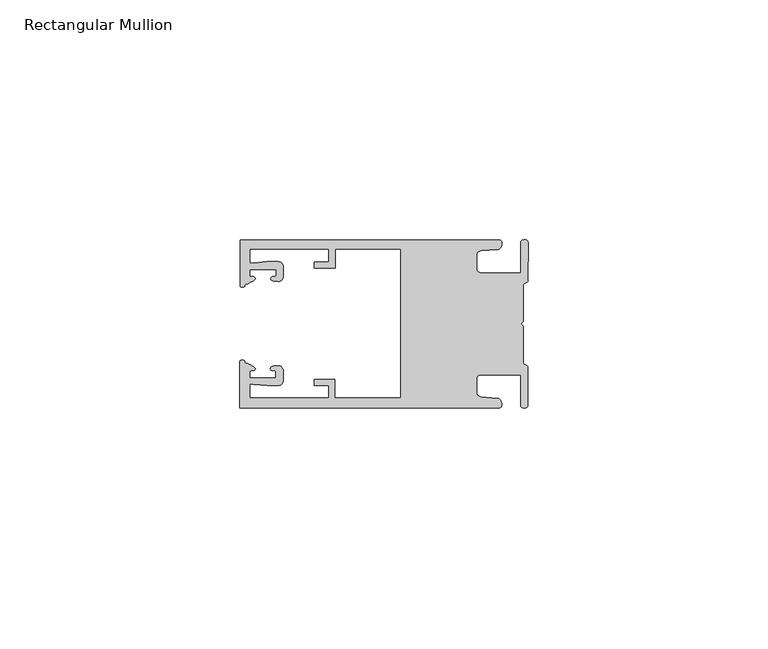
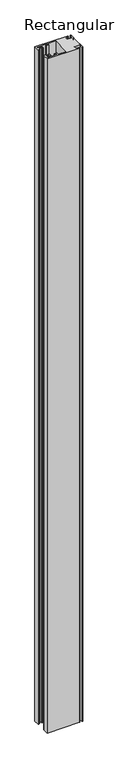
"""IFC4 building model written with IfcOpenShell, lengths in millimetres: member geometry, Rectangular Mullion."""

from ifc_helpers import new_model, si_unit, frame, origin, place, context, project, spatial, circle_curve, source, transform, mapped, element, save
from ifc_brep_helpers import plane_surface, cylinder_surface, extruded_surface, spline_curve, advanced_brep


def rectangular_mullion_3c00050a(model_context):
    return source(origin(), model_context, "Body", "AdvancedBrep", [
        advanced_brep(
        [(-60.0749377, 17.5111528, 0.0), (-60.0749377, 8.0140787, 0.0), (-59.3252567, 7.7187455, 0.0), (-58.4967974, 8.36785, 0.0), (-58.0726619, 10.1173923, 0.0), (-58.0713101, 11.3673916, 0.0), (-52.5713133, 11.3614437, 0.0), (-52.5726651, 10.1114444, 0.0), (-53.1427626, 8.8955539, 0.0), (-52.0740172, 8.8609044, 0.0), (-51.0729364, 9.8598224, 0.0), (-51.0706653, 11.9598211, 0.0), (-52.0700692, 12.9609024, 0.0), (-54.3905105, 12.9622843, 0.0), (-57.1599646, 12.7230061, 0.0), (-58.0696339, 12.9173907, 0.0), (-58.066768, 15.5673891, 0.0), (-41.5667584, 15.5673891, 0.0), (-41.5695894, 12.9495468, 0.0), (-44.5695877, 12.9527912, 0.0), (-44.5709936, 11.6527919, 0.0), (-40.2709961, 11.6481417, 0.0), (-40.2667576, 15.5673891, 0.0), (-26.6002952, 15.5673891, 0.0), (-26.6002952, -15.4518424, 0.0), (-40.3003032, -15.4518424, 0.0), (-40.2960856, -11.5518447, 0.0), (-44.5960831, -11.5471945, 0.0), (-44.597489, -12.8471938, 0.0), (-41.5974907, -12.8504381, 0.0), (-41.6003025, -15.4504366, 0.0), (-58.1002928, -15.4325927, 0.0), (-58.097427, -12.7825943, 0.0), (-57.1873395, -12.5901776, 0.0), (-54.4184094, -12.8354453, 0.0), (-52.0979705, -12.8390822, 0.0), (-51.0964037, -11.8401649, 0.0), (-51.0941327, -9.7401662, 0.0), (-52.0930507, -8.7390853, 0.0), (-53.1618685, -8.7714231, 0.0), (-52.5944022, -9.9885439, 0.0), (-52.595754, -11.2385431, 0.0), (-58.0957508, -11.2325952, 0.0), (-58.094399, -9.9825959, 0.0), (-58.5147494, -8.2321403, 0.0), (-59.3418028, -7.5812455, 0.0), (-60.0921208, -7.8749565, 0.0), (-60.0921208, -17.4888267, 0.0), (-6.1024861, -17.4888267, 0.0), (-6.5218639, -15.488372, 0.0), (-9.8784944, -15.2205466, 0.0), (-10.7989567, -14.2226333, 0.0), (-10.7961029, -11.5837474, 0.0), (-9.8734844, -10.5878272, 0.0), (-1.5950266, -10.5934991, 0.0), (-1.601948, -16.9936935, 0.0), (-0.1017194, -16.7830581, 0.0), (-0.0933208, -9.0170082, 0.0), (-1.0923837, -8.1499018, 0.0), (-1.0842165, -0.5977972, 0.0), (-1.0829111, 0.6093089, 0.0), (-1.0747439, 8.1614135, 0.0), (-0.0738079, 9.026357, 0.0), (-0.0654093, 16.7924069, 0.0), (-1.5651789, 17.0062866, 0.0), (-1.5651789, 10.6183257, 0.0), (-9.8505511, 10.6183257, 0.0), (-10.7710133, 11.6162391, 0.0), (-10.7681595, 14.255125, 0.0), (-9.845541, 15.2510452, 0.0), (-6.4883391, 15.5116099, 0.0), (-6.0646356, 17.5111528, 0.0), (-60.0749377, 17.5111528, -1189.4999997), (-6.0646356, 17.5111528, -1189.4999997), (-6.4883391, 15.5116099, -1189.4999997), (-9.845541, 15.2510452, -1189.4999997), (-10.7681595, 14.255125, -1189.4999997), (-10.7710133, 11.6162391, -1189.4999997), (-9.8505511, 10.6183257, -1189.4999997), (-1.5651789, 10.6183257, -1189.4999997), (-1.5651789, 17.0062866, -1189.4999997), (-0.0654093, 16.7924069, -1189.4999997), (-0.0738079, 9.026357, -1189.4999997), (-1.0747439, 8.1614135, -1189.4999997), (-1.0829111, 0.6093089, -1189.4999997), (-1.0842165, -0.5977972, -1189.4999997), (-1.0923837, -8.1499018, -1189.4999997), (-0.0933208, -9.0170082, -1189.4999997), (-0.1017194, -16.7830581, -1189.4999997), (-1.601948, -16.9936935, -1189.4999997), (-1.5950266, -10.5934991, -1189.4999997), (-9.8734844, -10.5878272, -1189.4999997), (-10.7961029, -11.5837474, -1189.4999997), (-10.7989567, -14.2226333, -1189.4999997), (-9.8784944, -15.2205466, -1189.4999997), (-6.5218639, -15.488372, -1189.4999997), (-6.1024861, -17.4888267, -1189.4999997), (-60.0921208, -17.4888267, -1189.4999997), (-60.0921208, -7.8749565, -1189.4999997), (-59.3418028, -7.5812455, -1189.4999997), (-58.5147494, -8.2321403, -1189.4999997), (-58.094399, -9.9825959, -1189.4999997), (-58.0957508, -11.2325952, -1189.4999997), (-52.595754, -11.2385431, -1189.4999997), (-52.5944022, -9.9885439, -1189.4999997), (-53.1618685, -8.7714231, -1189.4999997), (-52.0930507, -8.7390853, -1189.4999997), (-51.0941327, -9.7401662, -1189.4999997), (-51.0964037, -11.8401649, -1189.4999997), (-52.0979705, -12.8390823, -1189.4999997), (-54.4184094, -12.8354453, -1189.4999997), (-57.1873395, -12.5901776, -1189.4999997), (-58.097427, -12.7825943, -1189.4999997), (-58.1002928, -15.4325927, -1189.4999997), (-41.6003025, -15.4504366, -1189.4999997), (-41.5974907, -12.8504381, -1189.4999997), (-44.597489, -12.8471938, -1189.4999997), (-44.5960831, -11.5471945, -1189.4999997), (-40.2960856, -11.5518447, -1189.4999997), (-40.3003032, -15.4518424, -1189.4999997), (-26.6002952, -15.4518424, -1189.4999997), (-26.6002952, 15.5673891, -1189.4999997), (-40.2667576, 15.5673891, -1189.4999997), (-40.2709961, 11.6481417, -1189.4999997), (-44.5709936, 11.6527919, -1189.4999997), (-44.5695877, 12.9527912, -1189.4999997), (-41.5695894, 12.9495468, -1189.4999997), (-41.5667584, 15.5673891, -1189.4999997), (-58.066768, 15.5673891, -1189.4999997), (-58.0696339, 12.9173907, -1189.4999997), (-57.1599646, 12.7230061, -1189.4999997), (-54.3905105, 12.9622843, -1189.4999997), (-52.0700692, 12.9609023, -1189.4999997), (-51.0706653, 11.9598211, -1189.4999997), (-51.0729364, 9.8598224, -1189.4999997), (-52.0740172, 8.8609044, -1189.4999997), (-53.1427626, 8.8955539, -1189.4999997), (-52.5726651, 10.1114444, -1189.4999997), (-52.5713133, 11.3614437, -1189.4999997), (-58.0713101, 11.3673916, -1189.4999997), (-58.0726619, 10.1173923, -1189.4999997), (-58.4967974, 8.36785, -1189.4999997), (-59.3252567, 7.7187455, -1189.4999997), (-60.0749377, 8.0140787, -1189.4999997)],
        [
            (0, 1),
            (1, 2, spline_curve(3, [(-60.0749377, 8.0140787, 0.0), (-60.075233123, 7.740904774, 0.0), (-59.825339491, 7.642460332, 0.0), (-59.3252567, 7.7187455, 0.0)], [4, 4], [0.0, 0.0019169337574178654])),
            (2, 3, spline_curve(3, [(-59.3252567, 7.7187455, 0.0), (-59.094460914, 7.75918372, 0.0), (-59.054835463, 7.902257199, 0.0), (-59.05559987, 8.233305614, 0.0), (-59.138729113, 8.4134359, 0.0), (-58.4967974, 8.36785, 0.0)], [4, 2, 4], [0.0, 0.0010199524164107188, 0.0024874514725970356])),
            (3, 4, spline_curve(3, [(-58.4967974, 8.36785, 0.0), (-57.022393378, 9.053435667, 0.0), (-56.827266887, 9.364828726, 0.0), (-56.982213078, 9.742623404, 0.0), (-57.177375211, 9.855581791, 0.0), (-57.697928101, 9.887955071, 0.0), (-57.997449153, 9.835475348, 0.0), (-58.0726619, 10.1173923, 0.0)], [4, 2, 2, 4], [0.0, 0.003269869179570428, 0.005490050486237203, 0.0073545767114364426])),
            (4, 5),
            (5, 6),
            (6, 7),
            (7, 8, spline_curve(3, [(-52.5726651, 10.1114444, 0.0), (-52.667195519, 9.760172042, 0.0), (-52.937094388, 9.861877724, 0.0), (-53.356237032, 9.895631753, 0.0), (-53.491940439, 9.811038713, 0.0), (-53.761900775, 9.511438033, 0.0), (-53.892893546, 9.278787104, 0.0), (-53.1427626, 8.8955539, 0.0)], [4, 2, 2, 4], [0.0, 0.001593963049934732, 0.0033360256320283306, 0.005339140673503943])),
            (8, 9),
            (9, 10, circle_curve(frame((-52.0729358, 9.8609038, 0.0), z_axis=(0.0, 0.0, 1.0), x_axis=(-0.0010814451158600304, -0.9999994152380598, 0.0)), 1.0)),
            (10, 11),
            (11, 12, circle_curve(frame((-52.0706647, 11.9609026, 0.0), z_axis=(0.0, 0.0, 1.0), x_axis=(-0.0010814451158600304, -0.9999994152380598, 0.0)), 1.0)),
            (12, 13),
            (13, 14),
            (14, 15, spline_curve(3, [(-57.1599646, 12.7230061, 0.0), (-57.631533854, 12.682262968, 0.0), (-58.018602985, 12.477800124, 0.0), (-58.0696339, 12.9173907, 0.0)], [4, 4], [0.0, 0.0014803385355886016])),
            (15, 16),
            (16, 17),
            (17, 18),
            (18, 19),
            (19, 20),
            (20, 21),
            (21, 22),
            (22, 23),
            (23, 24),
            (24, 25),
            (25, 26),
            (26, 27),
            (27, 28),
            (28, 29),
            (29, 30),
            (30, 31),
            (31, 32),
            (32, 33, spline_curve(3, [(-58.097427, -12.7825943, 0.0), (-58.045445419, -12.343115126, 0.0), (-57.658819528, -12.548414611, 0.0), (-57.1873395, -12.5901776, 0.0)], [4, 4], [0.0, 0.0014803385355886016])),
            (33, 34),
            (34, 35),
            (35, 36, circle_curve(frame((-52.0964031, -11.8390835, 0.0), z_axis=(0.0, 0.0, 1.0), x_axis=(0.0010814451158600304, 0.9999994152380598, 0.0)), 1.0)),
            (36, 37),
            (37, 38, circle_curve(frame((-52.0941321, -9.7390847, 0.0), z_axis=(0.0, 0.0, 1.0), x_axis=(0.0010814451158600304, 0.9999994152380598, 0.0)), 1.0)),
            (38, 39),
            (39, 40, spline_curve(3, [(-53.1618685, -8.7714231, 0.0), (-53.912826582, -9.153032958, 0.0), (-53.782337352, -9.385966711, 0.0), (-53.51302565, -9.686150585, 0.0), (-53.377505444, -9.771037009, 0.0), (-52.958290774, -9.738189618, 0.0), (-52.688172635, -9.637067904, 0.0), (-52.5944022, -9.9885439, 0.0)], [4, 2, 2, 4], [0.0, 0.002003115041475612, 0.0037451776235692107, 0.005339140673503943])),
            (40, 41),
            (41, 42),
            (42, 43),
            (43, 44, spline_curve(3, [(-58.094399, -9.9825959, 0.0), (-58.018576674, -9.700842284, 0.0), (-57.719169706, -9.753969703, 0.0), (-57.198548014, -9.722722397, 0.0), (-57.003142178, -9.61018632, 0.0), (-56.847379222, -9.232727657, 0.0), (-57.041831673, -8.920913336, 0.0), (-58.5147494, -8.2321403, 0.0)], [4, 2, 2, 4], [0.0, 0.0018645262251992395, 0.004084707531866015, 0.0073545767114364426])),
            (44, 45, spline_curve(3, [(-58.5147494, -8.2321403, 0.0), (-59.156778208, -8.276337666, 0.0), (-59.073259494, -8.096387681, 0.0), (-59.071779067, -7.765341694, 0.0), (-59.111095017, -7.622182811, 0.0), (-59.3418028, -7.5812455, 0.0)], [4, 2, 4], [0.0, 0.0014674990561863168, 0.0024874514725970356])),
            (45, 46, spline_curve(3, [(-59.3418028, -7.5812455, 0.0), (-59.841719425, -7.503878887, 0.0), (-60.091825377, -7.601782574, 0.0), (-60.0921208, -7.8749565, 0.0)], [4, 4], [0.0, 0.0019169337574178654])),
            (46, 47),
            (47, 48),
            (48, 49, spline_curve(3, [(-6.1024861, -17.4888267, 0.0), (-5.074532184, -17.418062188, 0.0), (-5.631140689, -15.411414367, 0.0), (-6.5218639, -15.488372, 0.0)], [4, 4], [0.0, 0.0043819361547461745])),
            (49, 50),
            (50, 51, spline_curve(3, [(-9.8784944, -15.2205466, 0.0), (-10.440691543, -15.150698463, 0.0), (-10.74751234, -14.818060727, 0.0), (-10.7989567, -14.2226333, 0.0)], [4, 4], [0.0, 0.0028645797420738927])),
            (51, 52),
            (52, 53, spline_curve(3, [(-10.7961029, -11.5837474, 0.0), (-10.743370817, -10.988432634, 0.0), (-10.435831301, -10.656459204, 0.0), (-9.8734844, -10.5878272, 0.0)], [4, 4], [0.0, 0.0028645797420738927])),
            (53, 54),
            (54, 55),
            (55, 56, spline_curve(3, [(-1.601948, -16.9936935, 0.0), (-1.655676874, -17.600261454, 0.0), (-0.043737403, -17.912795581, 0.0), (-0.1017194, -16.7830581, 0.0)], [4, 4], [0.0, 0.0036987374396357936])),
            (56, 57),
            (57, 58, spline_curve(3, [(-0.0933208, -9.0170082, 0.0), (-0.018818183, -8.695886697, 0.0), (-1.193434327, -8.459763043, 0.0), (-1.0923837, -8.1499018, 0.0)], [4, 4], [0.0, 0.002027216749630121])),
            (58, 59),
            (59, 60, spline_curve(3, [(-1.0842165, -0.5977972, 0.0), (-1.013223198, -0.445980437, 0.0), (-1.487945123, -0.206736825, 0.0), (-1.487409651, 0.231097965, 0.0), (-0.999110985, 0.429090391, 0.0), (-1.0829111, 0.6093089, 0.0)], [4, 2, 4], [0.0, 0.00249866671847065, 0.005031402919736269])),
            (60, 61),
            (61, 62, spline_curve(3, [(-1.0747439, 8.1614135, 0.0), (-1.175124095, 8.47149258, 0.0), (-7e-09, 8.705075107, 0.0), (-0.0738079, 9.026357, 0.0)], [4, 4], [0.0, 0.002027216749630121])),
            (62, 63),
            (63, 64, spline_curve(3, [(-0.0654093, 16.7924069, 0.0), (-0.004983942, 17.92201633, 0.0), (-1.617595709, 17.612969344, 0.0), (-1.5651789, 17.0062866, 0.0)], [4, 4], [0.0, 0.0036987374396357936])),
            (64, 65),
            (65, 66),
            (66, 67, spline_curve(3, [(-9.8505511, 10.6183257, 0.0), (-10.412748243, 10.688173837, 0.0), (-10.71956894, 11.020811673, 0.0), (-10.7710133, 11.6162391, 0.0)], [4, 4], [0.0, 0.0028645797420738927])),
            (67, 68),
            (68, 69, spline_curve(3, [(-10.7681595, 14.255125, 0.0), (-10.715427417, 14.850439766, 0.0), (-10.407887901, 15.182413196, 0.0), (-9.845541, 15.2510452, 0.0)], [4, 4], [0.0, 0.0028645797420738927])),
            (69, 70),
            (70, 71, spline_curve(3, [(-6.4883391, 15.5116099, 0.0), (-5.597784423, 15.432725911, 0.0), (-5.036837144, 17.438165103, 0.0), (-6.0646356, 17.5111528, 0.0)], [4, 4], [0.0, 0.0043819361547461745])),
            (71, 0),
            (72, 73),
            (73, 74, spline_curve(3, [(-6.0646356, 17.5111528, -1189.4999997), (-5.036837144, 17.438165103, -1189.4999997), (-5.597784423, 15.432725911, -1189.4999997), (-6.4883391, 15.5116099, -1189.4999997)], [4, 4], [0.0, 0.0043819361547461745])),
            (74, 75),
            (75, 76, spline_curve(3, [(-9.845541, 15.2510452, -1189.4999997), (-10.407887901, 15.182413196, -1189.4999997), (-10.715427417, 14.850439766, -1189.4999997), (-10.7681595, 14.255125, -1189.4999997)], [4, 4], [0.0, 0.0028645797420738927])),
            (76, 77),
            (77, 78, spline_curve(3, [(-10.7710133, 11.6162391, -1189.4999997), (-10.71956894, 11.020811673, -1189.4999997), (-10.412748243, 10.688173837, -1189.4999997), (-9.8505511, 10.6183257, -1189.4999997)], [4, 4], [0.0, 0.0028645797420738927])),
            (78, 79),
            (79, 80),
            (80, 81, spline_curve(3, [(-1.5651789, 17.0062866, -1189.4999997), (-1.617595709, 17.612969344, -1189.4999997), (-0.004983942, 17.92201633, -1189.4999997), (-0.0654093, 16.7924069, -1189.4999997)], [4, 4], [0.0, 0.0036987374396357936])),
            (81, 82),
            (82, 83, spline_curve(3, [(-0.0738079, 9.026357, -1189.4999997), (-7e-09, 8.705075107, -1189.4999997), (-1.175124095, 8.47149258, -1189.4999997), (-1.0747439, 8.1614135, -1189.4999997)], [4, 4], [0.0, 0.002027216749630121])),
            (83, 84),
            (84, 85, spline_curve(3, [(-1.0829111, 0.6093089, -1189.4999997), (-0.999110985, 0.429090391, -1189.4999997), (-1.487409651, 0.231097965, -1189.4999997), (-1.487945123, -0.206736825, -1189.4999997), (-1.013223198, -0.445980437, -1189.4999997), (-1.0842165, -0.5977972, -1189.4999997)], [4, 2, 4], [0.0, 0.002532736201265619, 0.005031402919736269])),
            (85, 86),
            (86, 87, spline_curve(3, [(-1.0923837, -8.1499018, -1189.4999997), (-1.193434327, -8.459763043, -1189.4999997), (-0.018818183, -8.695886697, -1189.4999997), (-0.0933208, -9.0170082, -1189.4999997)], [4, 4], [0.0, 0.002027216749630121])),
            (87, 88),
            (88, 89, spline_curve(3, [(-0.1017194, -16.7830581, -1189.4999997), (-0.043737403, -17.912795581, -1189.4999997), (-1.655676874, -17.600261454, -1189.4999997), (-1.601948, -16.9936935, -1189.4999997)], [4, 4], [0.0, 0.0036987374396357936])),
            (89, 90),
            (90, 91),
            (91, 92, spline_curve(3, [(-9.8734844, -10.5878272, -1189.4999997), (-10.435831301, -10.656459204, -1189.4999997), (-10.743370817, -10.988432634, -1189.4999997), (-10.7961029, -11.5837474, -1189.4999997)], [4, 4], [0.0, 0.0028645797420738927])),
            (92, 93),
            (93, 94, spline_curve(3, [(-10.7989567, -14.2226333, -1189.4999997), (-10.74751234, -14.818060727, -1189.4999997), (-10.440691543, -15.150698463, -1189.4999997), (-9.8784944, -15.2205466, -1189.4999997)], [4, 4], [0.0, 0.0028645797420738927])),
            (94, 95),
            (95, 96, spline_curve(3, [(-6.5218639, -15.488372, -1189.4999997), (-5.631140689, -15.411414367, -1189.4999997), (-5.074532184, -17.418062188, -1189.4999997), (-6.1024861, -17.4888267, -1189.4999997)], [4, 4], [0.0, 0.0043819361547461745])),
            (96, 97),
            (97, 98),
            (98, 99, spline_curve(3, [(-60.0921208, -7.8749565, -1189.4999997), (-60.091825377, -7.601782574, -1189.4999997), (-59.841719425, -7.503878887, -1189.4999997), (-59.3418028, -7.5812455, -1189.4999997)], [4, 4], [0.0, 0.0019169337574178654])),
            (99, 100, spline_curve(3, [(-59.3418028, -7.5812455, -1189.4999997), (-59.111095017, -7.622182811, -1189.4999997), (-59.071779067, -7.765341694, -1189.4999997), (-59.073259494, -8.096387681, -1189.4999997), (-59.156778208, -8.276337666, -1189.4999997), (-58.5147494, -8.2321403, -1189.4999997)], [4, 2, 4], [0.0, 0.0010199524164107188, 0.0024874514725970356])),
            (100, 101, spline_curve(3, [(-58.5147494, -8.2321403, -1189.4999997), (-57.041831673, -8.920913336, -1189.4999997), (-56.847379222, -9.232727657, -1189.4999997), (-57.003142178, -9.61018632, -1189.4999997), (-57.198548014, -9.722722397, -1189.4999997), (-57.719169706, -9.753969703, -1189.4999997), (-58.018576674, -9.700842284, -1189.4999997), (-58.094399, -9.9825959, -1189.4999997)], [4, 2, 2, 4], [0.0, 0.003269869179570428, 0.005490050486237203, 0.0073545767114364426])),
            (101, 102),
            (102, 103),
            (103, 104),
            (104, 105, spline_curve(3, [(-52.5944022, -9.9885439, -1189.4999997), (-52.688172635, -9.637067904, -1189.4999997), (-52.958290774, -9.738189618, -1189.4999997), (-53.377505444, -9.771037009, -1189.4999997), (-53.51302565, -9.686150585, -1189.4999997), (-53.782337352, -9.385966711, -1189.4999997), (-53.912826582, -9.153032958, -1189.4999997), (-53.1618685, -8.7714231, -1189.4999997)], [4, 2, 2, 4], [0.0, 0.001593963049934732, 0.0033360256320283306, 0.005339140673503943])),
            (105, 106),
            (106, 107, circle_curve(frame((-52.0941321, -9.7390847, -1189.4999997), z_axis=(0.0, 0.0, -1.0), x_axis=(0.0010814451158600304, 0.9999994152380598, 0.0)), 1.0)),
            (107, 108),
            (108, 109, circle_curve(frame((-52.0964031, -11.8390835, -1189.4999997), z_axis=(0.0, 0.0, -1.0), x_axis=(0.0010814451158600304, 0.9999994152380598, 0.0)), 1.0)),
            (109, 110),
            (110, 111),
            (111, 112, spline_curve(3, [(-57.1873395, -12.5901776, -1189.4999997), (-57.658819528, -12.548414611, -1189.4999997), (-58.045445419, -12.343115126, -1189.4999997), (-58.097427, -12.7825943, -1189.4999997)], [4, 4], [0.0, 0.0014803385355886016])),
            (112, 113),
            (113, 114),
            (114, 115),
            (115, 116),
            (116, 117),
            (117, 118),
            (118, 119),
            (119, 120),
            (120, 121),
            (121, 122),
            (122, 123),
            (123, 124),
            (124, 125),
            (125, 126),
            (126, 127),
            (127, 128),
            (128, 129),
            (129, 130, spline_curve(3, [(-58.0696339, 12.9173907, -1189.4999997), (-58.018602985, 12.477800124, -1189.4999997), (-57.631533854, 12.682262968, -1189.4999997), (-57.1599646, 12.7230061, -1189.4999997)], [4, 4], [0.0, 0.0014803385355886016])),
            (130, 131),
            (131, 132),
            (132, 133, circle_curve(frame((-52.0706647, 11.9609026, -1189.4999997), z_axis=(0.0, 0.0, -1.0), x_axis=(-0.0010814451158600304, -0.9999994152380598, 0.0)), 1.0)),
            (133, 134),
            (134, 135, circle_curve(frame((-52.0729358, 9.8609038, -1189.4999997), z_axis=(0.0, 0.0, -1.0), x_axis=(-0.0010814451158600304, -0.9999994152380598, 0.0)), 1.0)),
            (135, 136),
            (136, 137, spline_curve(3, [(-53.1427626, 8.8955539, -1189.4999997), (-53.892893546, 9.278787104, -1189.4999997), (-53.761900775, 9.511438033, -1189.4999997), (-53.491940439, 9.811038713, -1189.4999997), (-53.356237032, 9.895631753, -1189.4999997), (-52.937094388, 9.861877724, -1189.4999997), (-52.667195519, 9.760172042, -1189.4999997), (-52.5726651, 10.1114444, -1189.4999997)], [4, 2, 2, 4], [0.0, 0.002003115041475612, 0.0037451776235692107, 0.005339140673503943])),
            (137, 138),
            (138, 139),
            (139, 140),
            (140, 141, spline_curve(3, [(-58.0726619, 10.1173923, -1189.4999997), (-57.997449153, 9.835475348, -1189.4999997), (-57.697928101, 9.887955071, -1189.4999997), (-57.177375211, 9.855581791, -1189.4999997), (-56.982213078, 9.742623404, -1189.4999997), (-56.827266887, 9.364828726, -1189.4999997), (-57.022393378, 9.053435667, -1189.4999997), (-58.4967974, 8.36785, -1189.4999997)], [4, 2, 2, 4], [0.0, 0.0018645262251992395, 0.004084707531866015, 0.0073545767114364426])),
            (141, 142, spline_curve(3, [(-58.4967974, 8.36785, -1189.4999997), (-59.138729113, 8.4134359, -1189.4999997), (-59.05559987, 8.233305614, -1189.4999997), (-59.054835463, 7.902257199, -1189.4999997), (-59.094460914, 7.75918372, -1189.4999997), (-59.3252567, 7.7187455, -1189.4999997)], [4, 2, 4], [0.0, 0.0014674990561863168, 0.0024874514725970356])),
            (142, 143, spline_curve(3, [(-59.3252567, 7.7187455, -1189.4999997), (-59.825339491, 7.642460332, -1189.4999997), (-60.075233123, 7.740904774, -1189.4999997), (-60.0749377, 8.0140787, -1189.4999997)], [4, 4], [0.0, 0.0019169337574178654])),
            (143, 72),
            (0, 72),
            (143, 1),
            (142, 2),
            (141, 3),
            (140, 4),
            (139, 5),
            (138, 6),
            (137, 7),
            (136, 8),
            (135, 9),
            (134, 10),
            (133, 11),
            (132, 12),
            (131, 13),
            (130, 14),
            (129, 15),
            (128, 16),
            (127, 17),
            (126, 18),
            (125, 19),
            (124, 20),
            (123, 21),
            (122, 22),
            (121, 23),
            (120, 24),
            (119, 25),
            (118, 26),
            (117, 27),
            (116, 28),
            (115, 29),
            (114, 30),
            (113, 31),
            (112, 32),
            (111, 33),
            (110, 34),
            (109, 35),
            (108, 36),
            (107, 37),
            (106, 38),
            (105, 39),
            (104, 40),
            (103, 41),
            (102, 42),
            (101, 43),
            (100, 44),
            (99, 45),
            (98, 46),
            (97, 47),
            (96, 48),
            (95, 49),
            (94, 50),
            (93, 51),
            (92, 52),
            (91, 53),
            (90, 54),
            (89, 55),
            (88, 56),
            (87, 57),
            (86, 58),
            (85, 59),
            (84, 60),
            (83, 61),
            (82, 62),
            (81, 63),
            (80, 64),
            (79, 65),
            (78, 66),
            (77, 67),
            (76, 68),
            (75, 69),
            (74, 70),
            (73, 71),
        ],
        [
            plane_surface(frame((0.0, -62.5853181, 0.0), z_axis=(0.0, 0.0, 1.0), x_axis=(-1.0, 0.0, 0.0))),
            plane_surface(frame((0.0, -62.5853181, -1189.4999997), z_axis=(0.0, 0.0, -1.0), x_axis=(-1.0, 0.0, 0.0))),
            plane_surface(frame((-60.0749377, 17.5111528, 0.0), z_axis=(-1.0, 0.0, 0.0), x_axis=(0.0, 0.0, -1.0))),
            extruded_surface(spline_curve(3, [(-60.0749377, 8.0140787, -1189.4999997), (-60.075233123, 7.740904774, -1189.4999997), (-59.825339491, 7.642460332, -1189.4999997), (-59.3252567, 7.7187455, -1189.4999997)], [4, 4], [0.0, 0.0019169337574178654]), (0.0, 0.0, 1189.4999997), 1189.4999997),
            extruded_surface(spline_curve(3, [(-59.3252567, 7.7187455, -1189.4999997), (-59.094460914, 7.75918372, -1189.4999997), (-59.054835463, 7.902257199, -1189.4999997), (-59.05559987, 8.233305614, -1189.4999997), (-59.138729113, 8.4134359, -1189.4999997), (-58.4967974, 8.36785, -1189.4999997)], [4, 2, 4], [0.0, 0.0010199524164107188, 0.0024874514725970356]), (0.0, 0.0, 1189.4999997), 1189.4999997),
            extruded_surface(spline_curve(3, [(-58.4967974, 8.36785, -1189.4999997), (-57.022393378, 9.053435667, -1189.4999997), (-56.827266887, 9.364828726, -1189.4999997), (-56.982213078, 9.742623404, -1189.4999997), (-57.177375211, 9.855581791, -1189.4999997), (-57.697928101, 9.887955071, -1189.4999997), (-57.997449153, 9.835475348, -1189.4999997), (-58.0726619, 10.1173923, -1189.4999997)], [4, 2, 2, 4], [0.0, 0.003269869179570428, 0.005490050486237203, 0.0073545767114364426]), (0.0, 0.0, 1189.4999997), 1189.4999997),
            plane_surface(frame((-58.0726619, 10.1173923, 0.0), z_axis=(0.9999994152380598, -0.0010814451158634145, 0.0), x_axis=(0.0, 0.0, -1.0))),
            plane_surface(frame((-58.0713101, 11.3673916, 0.0), z_axis=(-0.0010814451158616418, -0.9999994152380598, 0.0), x_axis=(0.0, 0.0, -1.0))),
            plane_surface(frame((-52.5713133, 11.3614437, 0.0), z_axis=(-0.9999994152380598, 0.0010814451158643293, 0.0), x_axis=(0.0, 0.0, -1.0))),
            extruded_surface(spline_curve(3, [(-52.5726651, 10.1114444, -1189.4999997), (-52.667195519, 9.760172042, -1189.4999997), (-52.937094388, 9.861877724, -1189.4999997), (-53.356237032, 9.895631753, -1189.4999997), (-53.491940439, 9.811038713, -1189.4999997), (-53.761900775, 9.511438033, -1189.4999997), (-53.892893546, 9.278787104, -1189.4999997), (-53.1427626, 8.8955539, -1189.4999997)], [4, 2, 2, 4], [0.0, 0.001593963049934732, 0.0033360256320283306, 0.005339140673503943]), (0.0, 0.0, 1189.4999997), 1189.4999997),
            plane_surface(frame((-53.1427626, 8.8955539, 0.0), z_axis=(-0.032403661401520414, -0.9994748634797054, 0.0), x_axis=(0.0, 0.0, -1.0))),
            cylinder_surface(frame((-52.0729358, 9.8609038, 0.0), z_axis=(0.0, 0.0, 1.0000000000000002), x_axis=(-0.0010814451158600304, -0.9999994152380598, 0.0)), 1.0),
            plane_surface(frame((-51.0729364, 9.8598224, 0.0), z_axis=(0.9999994152380598, -0.001081445115864059, 0.0), x_axis=(0.0, 0.0, -1.0))),
            cylinder_surface(frame((-52.0706647, 11.9609026, 0.0), z_axis=(0.0, 0.0, 1.0000000000000002), x_axis=(-0.0010814451158600304, -0.9999994152380598, 0.0)), 1.0),
            plane_surface(frame((-52.0700692, 12.9609023, 0.0), z_axis=(0.0005955716436318007, 0.999999822647193, 0.0), x_axis=(0.0, 0.0, -1.0))),
            plane_surface(frame((-54.3905105, 12.9622843, 0.0), z_axis=(-0.08607836189159865, 0.9962883697073147, 0.0), x_axis=(0.0, 0.0, -1.0))),
            extruded_surface(spline_curve(3, [(-57.1599646, 12.7230061, -1189.4999997), (-57.631533854, 12.682262968, -1189.4999997), (-58.018602985, 12.477800124, -1189.4999997), (-58.0696339, 12.9173907, -1189.4999997)], [4, 4], [0.0, 0.0014803385355886016]), (0.0, 0.0, 1189.4999997), 1189.4999997),
            plane_surface(frame((-58.0696339, 12.9173907, 0.0), z_axis=(0.9999994152380598, -0.0010814451158629996, 0.0), x_axis=(0.0, 0.0, -1.0))),
            plane_surface(frame((-58.066768, 15.5673891, 0.0), z_axis=(0.0, -1.0, 0.0), x_axis=(0.0, 0.0, -1.0))),
            plane_surface(frame((-41.5667584, 15.5673891, 0.0), z_axis=(-0.9999994152380598, 0.0010814451158636304, 0.0), x_axis=(0.0, 0.0, -1.0))),
            plane_surface(frame((-41.5695894, 12.9495468, 0.0), z_axis=(0.0010814451158615687, 0.9999994152380598, 0.0), x_axis=(0.0, 0.0, -1.0))),
            plane_surface(frame((-44.5695877, 12.9527912, 0.0), z_axis=(-0.9999994152380598, 0.0010814451158626742, 0.0), x_axis=(0.0, 0.0, -1.0))),
            plane_surface(frame((-44.5709936, 11.6527919, 0.0), z_axis=(-0.001081445115861604, -0.9999994152380598, 0.0), x_axis=(0.0, 0.0, -1.0))),
            plane_surface(frame((-40.2709961, 11.6481417, 0.0), z_axis=(0.9999994152380598, -0.001081445115863507, 0.0), x_axis=(0.0, 0.0, -1.0))),
            plane_surface(frame((-40.2667576, 15.5673891, 0.0), z_axis=(0.0, -1.0, 0.0), x_axis=(0.0, 0.0, -1.0))),
            plane_surface(frame((-26.6002952, 15.5673891, 0.0), z_axis=(-1.0, 0.0, 0.0), x_axis=(0.0, 0.0, -1.0))),
            plane_surface(frame((-26.6002952, -15.4518424, 0.0), z_axis=(0.0, 1.0, 0.0), x_axis=(0.0, 0.0, -1.0))),
            plane_surface(frame((-40.3003032, -15.4518424, 0.0), z_axis=(0.9999994152380598, -0.0010814451158565538, 0.0), x_axis=(0.0, 0.0, -1.0))),
            plane_surface(frame((-40.2960856, -11.5518447, 0.0), z_axis=(0.0010814451158584568, 0.9999994152380598, 0.0), x_axis=(0.0, 0.0, -1.0))),
            plane_surface(frame((-44.5960831, -11.5471945, 0.0), z_axis=(-0.9999994152380598, 0.0010814451158573867, 0.0), x_axis=(0.0, 0.0, -1.0))),
            plane_surface(frame((-44.597489, -12.8471938, 0.0), z_axis=(-0.0010814451158584922, -0.9999994152380598, 0.0), x_axis=(0.0, 0.0, -1.0))),
            plane_surface(frame((-41.5974907, -12.8504381, 0.0), z_axis=(-0.9999994152380598, 0.0010814451158564305, 0.0), x_axis=(0.0, 0.0, -1.0))),
            plane_surface(frame((-41.6003025, -15.4504366, 0.0), z_axis=(0.0010814451158583872, 0.9999994152380598, 0.0), x_axis=(0.0, 0.0, -1.0))),
            plane_surface(frame((-58.1002928, -15.4325927, 0.0), z_axis=(0.9999994152380598, -0.0010814451158570612, 0.0), x_axis=(0.0, 0.0, -1.0))),
            extruded_surface(spline_curve(3, [(-58.097427, -12.7825943, -1189.4999997), (-58.045445419, -12.343115126, -1189.4999997), (-57.658819528, -12.548414611, -1189.4999997), (-57.1873395, -12.5901776, -1189.4999997)], [4, 4], [0.0, 0.0014803385355886016]), (0.0, 0.0, 1189.4999997), 1189.4999997),
            plane_surface(frame((-57.1873395, -12.5901776, 0.0), z_axis=(-0.0882330216729926, -0.9960998614026876, 0.0), x_axis=(0.0, 0.0, -1.0))),
            plane_surface(frame((-54.4184094, -12.8354453, 0.0), z_axis=(-0.0015673183327880543, -0.9999987717558677, 0.0), x_axis=(0.0, 0.0, -1.0))),
            cylinder_surface(frame((-52.0964031, -11.8390835, 0.0), z_axis=(0.0, 0.0, 1.0000000000000002), x_axis=(0.0010814451158600304, 0.9999994152380598, 0.0)), 1.0),
            plane_surface(frame((-51.0964037, -11.8401649, 0.0), z_axis=(0.9999994152380598, -0.001081445115856002, 0.0), x_axis=(0.0, 0.0, -1.0))),
            cylinder_surface(frame((-52.0941321, -9.7390847, 0.0), z_axis=(0.0, 0.0, 1.0000000000000002), x_axis=(0.0010814451158600304, 0.9999994152380598, 0.0)), 1.0),
            plane_surface(frame((-52.0930507, -8.7390853, 0.0), z_axis=(-0.030241832452872642, 0.9995426111826812, 0.0), x_axis=(0.0, 0.0, -1.0))),
            extruded_surface(spline_curve(3, [(-53.1618685, -8.7714231, -1189.4999997), (-53.912826582, -9.153032958, -1189.4999997), (-53.782337352, -9.385966711, -1189.4999997), (-53.51302565, -9.686150585, -1189.4999997), (-53.377505444, -9.771037009, -1189.4999997), (-52.958290774, -9.738189618, -1189.4999997), (-52.688172635, -9.637067904, -1189.4999997), (-52.5944022, -9.9885439, -1189.4999997)], [4, 2, 2, 4], [0.0, 0.002003115041475612, 0.0037451776235692107, 0.005339140673503943]), (0.0, 0.0, 1189.4999997), 1189.4999997),
            plane_surface(frame((-52.5944022, -9.9885439, 0.0), z_axis=(-0.9999994152380598, 0.0010814451158557316, 0.0), x_axis=(0.0, 0.0, -1.0))),
            plane_surface(frame((-52.595754, -11.2385431, 0.0), z_axis=(0.001081445115858419, 0.9999994152380598, 0.0), x_axis=(0.0, 0.0, -1.0))),
            plane_surface(frame((-58.0957508, -11.2325952, 0.0), z_axis=(0.9999994152380598, -0.0010814451158566464, 0.0), x_axis=(0.0, 0.0, -1.0))),
            extruded_surface(spline_curve(3, [(-58.094399, -9.9825959, -1189.4999997), (-58.018576674, -9.700842284, -1189.4999997), (-57.719169706, -9.753969703, -1189.4999997), (-57.198548014, -9.722722397, -1189.4999997), (-57.003142178, -9.61018632, -1189.4999997), (-56.847379222, -9.232727657, -1189.4999997), (-57.041831673, -8.920913336, -1189.4999997), (-58.5147494, -8.2321403, -1189.4999997)], [4, 2, 2, 4], [0.0, 0.0018645262251992395, 0.004084707531866015, 0.0073545767114364426]), (0.0, 0.0, 1189.4999997), 1189.4999997),
            extruded_surface(spline_curve(3, [(-58.5147494, -8.2321403, -1189.4999997), (-59.156778208, -8.276337666, -1189.4999997), (-59.073259494, -8.096387681, -1189.4999997), (-59.071779067, -7.765341694, -1189.4999997), (-59.111095017, -7.622182811, -1189.4999997), (-59.3418028, -7.5812455, -1189.4999997)], [4, 2, 4], [0.0, 0.0014674990561863168, 0.0024874514725970356]), (0.0, 0.0, 1189.4999997), 1189.4999997),
            extruded_surface(spline_curve(3, [(-59.3418028, -7.5812455, -1189.4999997), (-59.841719425, -7.503878887, -1189.4999997), (-60.091825377, -7.601782574, -1189.4999997), (-60.0921208, -7.8749565, -1189.4999997)], [4, 4], [0.0, 0.0019169337574178654]), (0.0, 0.0, 1189.4999997), 1189.4999997),
            plane_surface(frame((-60.0921208, -7.8749565, 0.0), z_axis=(-1.0, 0.0, 0.0), x_axis=(0.0, 0.0, -1.0))),
            plane_surface(frame((-60.0921208, -17.4888267, 0.0), z_axis=(0.0, -1.0, 0.0), x_axis=(0.0, 0.0, -1.0))),
            extruded_surface(spline_curve(3, [(-6.1024861, -17.4888267, -1189.4999997), (-5.074532184, -17.418062188, -1189.4999997), (-5.631140689, -15.411414367, -1189.4999997), (-6.5218639, -15.488372, -1189.4999997)], [4, 4], [0.0, 0.0043819361547461745]), (0.0, 0.0, 1189.4999997), 1189.4999997),
            plane_surface(frame((-6.5218639, -15.488372, 0.0), z_axis=(0.07953716124904908, 0.9968319015663789, 0.0), x_axis=(0.0, 0.0, -1.0))),
            extruded_surface(spline_curve(3, [(-9.8784944, -15.2205466, -1189.4999997), (-10.440691543, -15.150698463, -1189.4999997), (-10.74751234, -14.818060727, -1189.4999997), (-10.7989567, -14.2226333, -1189.4999997)], [4, 4], [0.0, 0.0028645797420738927]), (0.0, 0.0, 1189.4999997), 1189.4999997),
            plane_surface(frame((-10.7989567, -14.2226333, 0.0), z_axis=(0.9999994152380598, -0.0010814451158568247, 0.0), x_axis=(0.0, 0.0, -1.0))),
            extruded_surface(spline_curve(3, [(-10.7961029, -11.5837474, -1189.4999997), (-10.743370817, -10.988432634, -1189.4999997), (-10.435831301, -10.656459204, -1189.4999997), (-9.8734844, -10.5878272, -1189.4999997)], [4, 4], [0.0, 0.0028645797420738927]), (0.0, 0.0, 1189.4999997), 1189.4999997),
            plane_surface(frame((-9.8734844, -10.5878272, 0.0), z_axis=(-0.0006851371995361226, -0.9999997652934814, 0.0), x_axis=(0.0, 0.0, -1.0))),
            plane_surface(frame((-1.5950266, -10.5934991, 0.0), z_axis=(-0.9999994152380598, 0.0010814451158568644, 0.0), x_axis=(0.0, 0.0, -1.0))),
            extruded_surface(spline_curve(3, [(-1.601948, -16.9936935, -1189.4999997), (-1.655676874, -17.600261454, -1189.4999997), (-0.043737403, -17.912795581, -1189.4999997), (-0.1017194, -16.7830581, -1189.4999997)], [4, 4], [0.0, 0.0036987374396357936]), (0.0, 0.0, 1189.4999997), 1189.4999997),
            plane_surface(frame((-0.1017194, -16.7830581, 0.0), z_axis=(0.9999994152380598, -0.001081445115856699, 0.0), x_axis=(0.0, 0.0, -1.0))),
            extruded_surface(spline_curve(3, [(-0.0933208, -9.0170082, -1189.4999997), (-0.018818183, -8.695886697, -1189.4999997), (-1.193434327, -8.459763043, -1189.4999997), (-1.0923837, -8.1499018, -1189.4999997)], [4, 4], [0.0, 0.002027216749630121]), (0.0, 0.0, 1189.4999997), 1189.4999997),
            plane_surface(frame((-1.0923837, -8.1499018, 0.0), z_axis=(0.9999994152380598, -0.0010814451158566698, 0.0), x_axis=(0.0, 0.0, -1.0))),
            extruded_surface(spline_curve(3, [(-1.0842165, -0.5977972, -1189.4999997), (-1.013223198, -0.445980437, -1189.4999997), (-1.487945123, -0.206736825, -1189.4999997), (-1.487409651, 0.231097965, -1189.4999997), (-0.999110985, 0.429090391, -1189.4999997), (-1.0829111, 0.6093089, -1189.4999997)], [4, 2, 4], [0.0, 0.00249866671847065, 0.005031402919736269]), (0.0, 0.0, 1189.4999997), 1189.4999997),
            plane_surface(frame((-1.0829111, 0.6093089, 0.0), z_axis=(0.9999994152380598, -0.001081445115863391, 0.0), x_axis=(0.0, 0.0, -1.0))),
            extruded_surface(spline_curve(3, [(-1.0747439, 8.1614135, -1189.4999997), (-1.175124095, 8.47149258, -1189.4999997), (-7e-09, 8.705075107, -1189.4999997), (-0.0738079, 9.026357, -1189.4999997)], [4, 4], [0.0, 0.002027216749630121]), (0.0, 0.0, 1189.4999997), 1189.4999997),
            plane_surface(frame((-0.0738079, 9.026357, 0.0), z_axis=(0.9999994152380598, -0.001081445115863362, 0.0), x_axis=(0.0, 0.0, -1.0))),
            extruded_surface(spline_curve(3, [(-0.0654093, 16.7924069, -1189.4999997), (-0.004983942, 17.92201633, -1189.4999997), (-1.617595709, 17.612969344, -1189.4999997), (-1.5651789, 17.0062866, -1189.4999997)], [4, 4], [0.0, 0.0036987374396357936]), (0.0, 0.0, 1189.4999997), 1189.4999997),
            plane_surface(frame((-1.5651789, 17.0062866, 0.0), z_axis=(-1.0, 0.0, 0.0), x_axis=(0.0, 0.0, -1.0))),
            plane_surface(frame((-1.5651789, 10.6183257, 0.0), z_axis=(0.0, 1.0, 0.0), x_axis=(0.0, 0.0, -1.0))),
            extruded_surface(spline_curve(3, [(-9.8505511, 10.6183257, -1189.4999997), (-10.412748243, 10.688173837, -1189.4999997), (-10.71956894, 11.020811673, -1189.4999997), (-10.7710133, 11.6162391, -1189.4999997)], [4, 4], [0.0, 0.0028645797420738927]), (0.0, 0.0, 1189.4999997), 1189.4999997),
            plane_surface(frame((-10.7710133, 11.6162391, 0.0), z_axis=(0.9999994152380598, -0.0010814451158632362, 0.0), x_axis=(0.0, 0.0, -1.0))),
            extruded_surface(spline_curve(3, [(-10.7681595, 14.255125, -1189.4999997), (-10.715427417, 14.850439766, -1189.4999997), (-10.407887901, 15.182413196, -1189.4999997), (-9.845541, 15.2510452, -1189.4999997)], [4, 4], [0.0, 0.0028645797420738927]), (0.0, 0.0, 1189.4999997), 1189.4999997),
            plane_surface(frame((-9.845541, 15.2510452, 0.0), z_axis=(0.07738093848608862, -0.9970015999781607, 0.0), x_axis=(0.0, 0.0, -1.0))),
            extruded_surface(spline_curve(3, [(-6.4883391, 15.5116099, -1189.4999997), (-5.597784423, 15.432725911, -1189.4999997), (-5.036837144, 17.438165103, -1189.4999997), (-6.0646356, 17.5111528, -1189.4999997)], [4, 4], [0.0, 0.0043819361547461745]), (0.0, 0.0, 1189.4999997), 1189.4999997),
            plane_surface(frame((-6.0646356, 17.5111528, 0.0), z_axis=(0.0, 1.0, 0.0), x_axis=(0.0, 0.0, -1.0))),
        ],
        [
            (0, [[1, 2, 3, 4, 5, 6, 7, 8, 9, 10, 11, 12, 13, 14, 15, 16, 17, 18, 19, 20, 21, 22, 23, 24, 25, 26, 27, 28, 29, 30, 31, 32, 33, 34, 35, 36, 37, 38, 39, 40, 41, 42, 43, 44, 45, 46, 47, 48, 49, 50, 51, 52, 53, 54, 55, 56, 57, 58, 59, 60, 61, 62, 63, 64, 65, 66, 67, 68, 69, 70, 71, 72]]),
            (1, [[73, 74, 75, 76, 77, 78, 79, 80, 81, 82, 83, 84, 85, 86, 87, 88, 89, 90, 91, 92, 93, 94, 95, 96, 97, 98, 99, 100, 101, 102, 103, 104, 105, 106, 107, 108, 109, 110, 111, 112, 113, 114, 115, 116, 117, 118, 119, 120, 121, 122, 123, 124, 125, 126, 127, 128, 129, 130, 131, 132, 133, 134, 135, 136, 137, 138, 139, 140, 141, 142, 143, 144]]),
            (2, [[-1, 145, -144, 146]]),
            (3, [[-2, -146, -143, 147]]),
            (4, [[-3, -147, -142, 148]]),
            (5, [[-4, -148, -141, 149]]),
            (6, [[-5, -149, -140, 150]]),
            (7, [[-6, -150, -139, 151]]),
            (8, [[-7, -151, -138, 152]]),
            (9, [[-8, -152, -137, 153]]),
            (10, [[-9, -153, -136, 154]]),
            (11, [[-10, -154, -135, 155]]),
            (12, [[-11, -155, -134, 156]]),
            (13, [[-12, -156, -133, 157]]),
            (14, [[-13, -157, -132, 158]]),
            (15, [[-14, -158, -131, 159]]),
            (16, [[-15, -159, -130, 160]]),
            (17, [[-16, -160, -129, 161]]),
            (18, [[-17, -161, -128, 162]]),
            (19, [[-18, -162, -127, 163]]),
            (20, [[-19, -163, -126, 164]]),
            (21, [[-20, -164, -125, 165]]),
            (22, [[-21, -165, -124, 166]]),
            (23, [[-22, -166, -123, 167]]),
            (24, [[-23, -167, -122, 168]]),
            (25, [[-24, -168, -121, 169]]),
            (26, [[-25, -169, -120, 170]]),
            (27, [[-26, -170, -119, 171]]),
            (28, [[-27, -171, -118, 172]]),
            (29, [[-28, -172, -117, 173]]),
            (30, [[-29, -173, -116, 174]]),
            (31, [[-30, -174, -115, 175]]),
            (32, [[-31, -175, -114, 176]]),
            (33, [[-32, -176, -113, 177]]),
            (34, [[-33, -177, -112, 178]]),
            (35, [[-34, -178, -111, 179]]),
            (36, [[-35, -179, -110, 180]]),
            (37, [[-36, -180, -109, 181]]),
            (38, [[-37, -181, -108, 182]]),
            (39, [[-38, -182, -107, 183]]),
            (40, [[-39, -183, -106, 184]]),
            (41, [[-40, -184, -105, 185]]),
            (42, [[-41, -185, -104, 186]]),
            (43, [[-42, -186, -103, 187]]),
            (44, [[-43, -187, -102, 188]]),
            (45, [[-44, -188, -101, 189]]),
            (46, [[-45, -189, -100, 190]]),
            (47, [[-46, -190, -99, 191]]),
            (48, [[-47, -191, -98, 192]]),
            (49, [[-48, -192, -97, 193]]),
            (50, [[-49, -193, -96, 194]]),
            (51, [[-50, -194, -95, 195]]),
            (52, [[-51, -195, -94, 196]]),
            (53, [[-52, -196, -93, 197]]),
            (54, [[-53, -197, -92, 198]]),
            (55, [[-54, -198, -91, 199]]),
            (56, [[-55, -199, -90, 200]]),
            (57, [[-56, -200, -89, 201]]),
            (58, [[-57, -201, -88, 202]]),
            (59, [[-58, -202, -87, 203]]),
            (60, [[-59, -203, -86, 204]]),
            (61, [[-60, -204, -85, 205]]),
            (62, [[-61, -205, -84, 206]]),
            (63, [[-62, -206, -83, 207]]),
            (64, [[-63, -207, -82, 208]]),
            (65, [[-64, -208, -81, 209]]),
            (66, [[-65, -209, -80, 210]]),
            (67, [[-66, -210, -79, 211]]),
            (68, [[-67, -211, -78, 212]]),
            (69, [[-68, -212, -77, 213]]),
            (70, [[-69, -213, -76, 214]]),
            (71, [[-70, -214, -75, 215]]),
            (72, [[-71, -215, -74, 216]]),
            (73, [[-72, -216, -73, -145]]),
        ],
    ),
    ])


if __name__ == "__main__":
    model = new_model("IFC4")
    model_context = context("Model", 3, world=origin())
    ifc_project = project(units=[si_unit("LENGTHUNIT", "METRE", prefix="MILLI")], contexts=[model_context])
    site = spatial("IfcSite", under=ifc_project)
    building = spatial("IfcBuilding", under=site)
    placement = place(None, origin())
    rectangular_mullion_shape = rectangular_mullion_3c00050a(model_context)
    element("IfcMember", 1, ObjectType="Rectangular Mullion", at=placement, inside=building, context=model_context, shape_type="MappedRepresentation", body=[
        mapped(rectangular_mullion_shape, transform((0.0, 0.0, 0.0), x_axis=(1.0, 0.0, 0.0), y_axis=(0.0, 1.0, 0.0), z_axis=(0.0, 0.0, 1.0))),
    ])
    save(model, "model.ifc")
